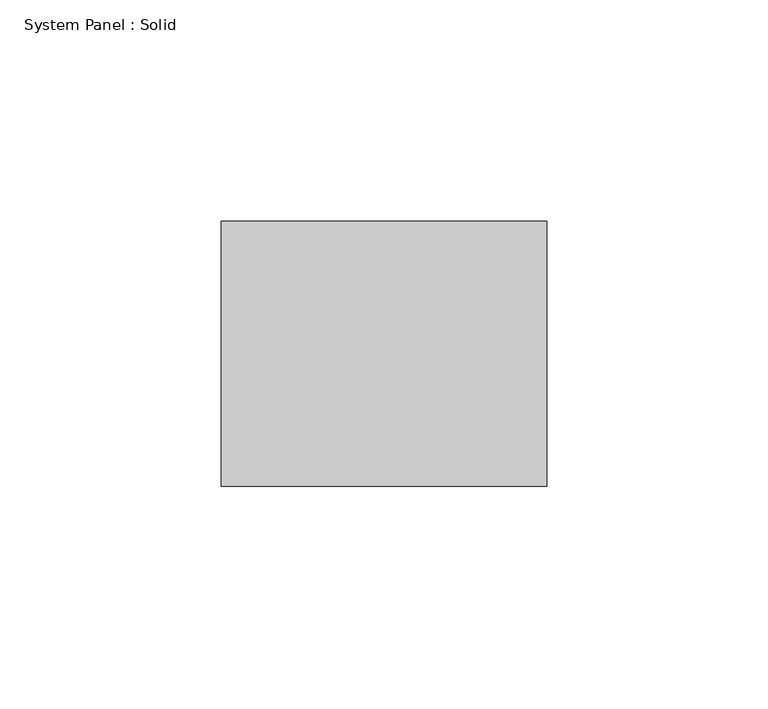
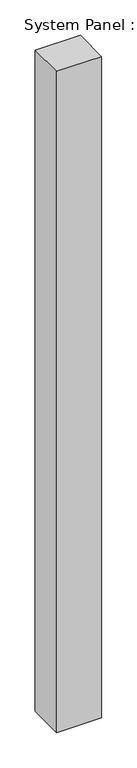
"""IFC4 building model written with IfcOpenShell, lengths in millimetres: plate geometry, System Panel : Solid."""

import ifcopenshell
import ifcopenshell.guid

model = None  # the IFC model being written
_history = None  # IfcOwnerHistory: only IFC2X3 demands one
_inside = {}  # id of a spatial element -> (the spatial element, [elements in it])
_under = {}  # id of a project, library or spatial element -> (it, [spatial elements below it])
_declared = {}  # id of a project -> (the project, [libraries it declares])
_typed = {}  # id of a type object -> (the type object, [elements of that type])
_made_of = {}  # id of a material, layer set ... -> (it, [elements and type objects made of it])


def new_model(schema):
    """Start an empty IFC model of exactly this schema.

    Asked for "IFC4X3", IfcOpenShell would pick the latest addendum, in which some entities
    have other attributes; the version numbers below select the first issue.
    IFC2X3 requires an IfcOwnerHistory on every rooted entity: one is made here for all.
    """
    global model, _history
    if schema == "IFC4X3":
        model = ifcopenshell.file(schema_version=(4, 3, 0, 0))
    else:
        model = ifcopenshell.file(schema=schema)
    _inside.clear()
    _under.clear()
    _declared.clear()
    _typed.clear()
    _made_of.clear()
    _history = None
    if model.schema == "IFC2X3":
        org = make("IfcOrganization", Name="unknown")
        user = make(
            "IfcPersonAndOrganization",
            ThePerson=make("IfcPerson", FamilyName="unknown"),
            TheOrganization=org,
        )
        app = make(
            "IfcApplication",
            ApplicationDeveloper=org,
            Version="unknown",
            ApplicationFullName="unknown",
            ApplicationIdentifier="unknown",
        )
        _history = make(
            "IfcOwnerHistory",
            OwningUser=user,
            OwningApplication=app,
            ChangeAction="ADDED",
            CreationDate=0,
        )
    return model


def make(cls, **values):
    """One entity of the class cls with the attributes given. An attribute that is None is left unset."""
    return model.create_entity(
        cls, **{name: value for name, value in values.items() if value is not None}
    )


def rooted(cls, **values):
    """An entity with a GlobalId (a new one), such as an element, a storey or a relation."""
    return make(cls, GlobalId=ifcopenshell.guid.new(), OwnerHistory=_history, **values)


def si_unit(unit_type, name, prefix=None):
    """IfcSIUnit, for example si_unit("LENGTHUNIT", "METRE", prefix="MILLI")."""
    return make("IfcSIUnit", UnitType=unit_type, Prefix=prefix, Name=name)


def assignment(units):
    """IfcUnitAssignment: the units of a project."""
    return None if units is None else make("IfcUnitAssignment", Units=units)


def point(xyz):
    """IfcCartesianPoint."""
    return None if xyz is None else make("IfcCartesianPoint", Coordinates=xyz)


def direction(xyz):
    """IfcDirection."""
    return None if xyz is None else make("IfcDirection", DirectionRatios=xyz)


def frame(location, z_axis=None, x_axis=None):
    """IfcAxis2Placement3D, a coordinate frame: its origin and axes. An axis left out is left unset."""
    return make(
        "IfcAxis2Placement3D",
        Location=point(location),
        Axis=direction(z_axis),
        RefDirection=direction(x_axis),
    )


def origin():
    """The frame at (0, 0, 0) with its axes left unset."""
    return frame((0.0, 0.0, 0.0))


def origin_with_axes():
    """The frame at (0, 0, 0) with the z axis (0, 0, 1) and the x axis (1, 0, 0) written out."""
    return frame((0.0, 0.0, 0.0), z_axis=(0.0, 0.0, 1.0), x_axis=(1.0, 0.0, 0.0))


def place(relative_to, where):
    """IfcLocalPlacement: puts the frame where relative to a parent placement (None: the world)."""
    return make(
        "IfcLocalPlacement", PlacementRelTo=relative_to, RelativePlacement=where
    )


def context(
    kind, dimensions, precision=None, world=None, true_north=None, identifier=None
):
    """IfcGeometricRepresentationContext, for example the 3D "Model" context."""
    return make(
        "IfcGeometricRepresentationContext",
        ContextIdentifier=identifier,
        ContextType=kind,
        CoordinateSpaceDimension=dimensions,
        Precision=precision,
        WorldCoordinateSystem=world,
        TrueNorth=true_north,
    )


def project(units=None, contexts=None):
    """IfcProject with its units and contexts."""
    return rooted(
        "IfcProject",
        Name="project",
        RepresentationContexts=contexts,
        UnitsInContext=assignment(units),
    )


def spatial(cls, under=None, at=None, **own):
    """A site, building, storey or space (cls), placed at a placement, below another one or the project."""
    s = rooted(cls, ObjectPlacement=at, **own)
    if under is not None:
        _under.setdefault(under.id(), (under, []))[1].append(s)
    return s


def polyline(points):
    """IfcPolyline through the points."""
    return make("IfcPolyline", Points=[point(p) for p in points])


def outline(outer, holes=None, kind="AREA"):
    """IfcArbitraryClosedProfileDef: a profile drawn as a closed curve; with holes, ...WithVoids."""
    if holes is None:
        return make("IfcArbitraryClosedProfileDef", ProfileType=kind, OuterCurve=outer)
    return make(
        "IfcArbitraryProfileDefWithVoids",
        ProfileType=kind,
        OuterCurve=outer,
        InnerCurves=holes,
    )


def extrude(swept, where, along, depth):
    """IfcExtrudedAreaSolid: the profile swept, set in the frame where, extruded along a direction by depth."""
    return make(
        "IfcExtrudedAreaSolid",
        SweptArea=swept,
        Position=where,
        ExtrudedDirection=direction(along),
        Depth=depth,
    )


def shape(context_of_items, identifier, shape_type, items):
    """IfcShapeRepresentation: the items that make up one representation, for example the "Body"."""
    return make(
        "IfcShapeRepresentation",
        ContextOfItems=context_of_items,
        RepresentationIdentifier=identifier,
        RepresentationType=shape_type,
        Items=items,
    )


def source(mapping_origin, context_of_items, identifier, shape_type, items):
    """IfcRepresentationMap: a shape defined once, which mapped items show again and again."""
    return make(
        "IfcRepresentationMap",
        MappingOrigin=mapping_origin,
        MappedRepresentation=shape(context_of_items, identifier, shape_type, items),
    )


def transform(
    local_origin,
    x_axis=None,
    y_axis=None,
    z_axis=None,
    scale=None,
    scale2=None,
    scale3=None,
    uniform=True,
):
    """IfcCartesianTransformationOperator3D, or its non-uniform kind. x_axis, y_axis, z_axis: its Axis1, 2, 3."""
    if uniform:
        return make(
            "IfcCartesianTransformationOperator3D",
            Axis1=direction(x_axis),
            Axis2=direction(y_axis),
            LocalOrigin=point(local_origin),
            Scale=scale,
            Axis3=direction(z_axis),
        )
    return make(
        "IfcCartesianTransformationOperator3DnonUniform",
        Axis1=direction(x_axis),
        Axis2=direction(y_axis),
        LocalOrigin=point(local_origin),
        Scale=scale,
        Axis3=direction(z_axis),
        Scale2=scale2,
        Scale3=scale3,
    )


def mapped(mapping_source, mapping_target):
    """IfcMappedItem: shows the shape of a source again, moved by a transform."""
    return make(
        "IfcMappedItem", MappingSource=mapping_source, MappingTarget=mapping_target
    )


def made_of(thing, what):
    """Note that an element or type object is made of a material, layer set ...; save() writes the relation."""
    if what is not None:
        _made_of.setdefault(what.id(), (what, []))[1].append(thing)
    return thing


def element(
    cls,
    number,
    at=None,
    inside=None,
    cuts=None,
    type_object=None,
    material=None,
    context=None,
    identifier="Body",
    shape_type=None,
    held_by="IfcProductDefinitionShape",
    body=None,
    shapes=None,
    **own,
):
    """One element of the class cls, such as IfcWall. Its Tag is "e" and its number.

    at: its placement. inside: the storey or other place that contains it. cuts: it is an
    opening in that element (IfcRelVoidsElement). A single representation is given by context,
    identifier, shape_type and body (its items); several are given by shapes. held_by: the class
    of the entity that holds the representations. save() writes the other relations.
    """
    e = rooted(cls, Tag="e%d" % number, ObjectPlacement=at, **own)
    if body is not None:
        shapes = [shape(context, identifier, shape_type, body)]
    if shapes is not None:
        e.Representation = make(held_by, Representations=shapes)
    if inside is not None:
        _inside.setdefault(inside.id(), (inside, []))[1].append(e)
    if cuts is not None:
        rooted(
            "IfcRelVoidsElement", RelatingBuildingElement=cuts, RelatedOpeningElement=e
        )
    if type_object is not None:
        _typed.setdefault(type_object.id(), (type_object, []))[1].append(e)
    return made_of(e, material)


def aggregate(whole, parts):
    """IfcRelAggregates: a whole, such as a stair, and the parts it consists of."""
    return rooted("IfcRelAggregates", RelatingObject=whole, RelatedObjects=parts)


def save(model, path):
    """Write the relations noted so far, then the file.

    IfcRelAggregates (storeys below a building ...), IfcRelContainedInSpatialStructure (elements
    in a storey), IfcRelDefinesByType, IfcRelAssociatesMaterial and IfcRelDeclares: one each for
    every whole, place, type object, material and project.
    """
    for whole, parts in _under.values():
        aggregate(whole, parts)
    for where, things in _inside.values():
        rooted(
            "IfcRelContainedInSpatialStructure",
            RelatedElements=things,
            RelatingStructure=where,
        )
    for kind, things in _typed.values():
        rooted("IfcRelDefinesByType", RelatedObjects=things, RelatingType=kind)
    for what, things in _made_of.values():
        rooted("IfcRelAssociatesMaterial", RelatedObjects=things, RelatingMaterial=what)
    for by, libraries in _declared.values():
        rooted("IfcRelDeclares", RelatingContext=by, RelatedDefinitions=libraries)
    model.write(path)


def system_panel_solid_4e9d9979(model_context):
    return source(origin(), model_context, "Body", "SweptSolid", [
        extrude(outline(polyline([(36.82484, -10.5), (-36.82484, -10.5), (-36.82484, 49.5), (36.82484, 49.5), (36.82484, -10.5)])), origin_with_axes(), (0.0, 0.0, 1.0), 1140.0),
    ])


if __name__ == "__main__":
    model = new_model("IFC4")
    model_context = context("Model", 3, world=origin())
    ifc_project = project(units=[si_unit("LENGTHUNIT", "METRE", prefix="MILLI")], contexts=[model_context])
    site = spatial("IfcSite", under=ifc_project)
    building = spatial("IfcBuilding", under=site)
    placement = place(None, origin())
    system_panel_solid_shape = system_panel_solid_4e9d9979(model_context)
    element("IfcPlate", 1, ObjectType="System Panel : Solid", at=placement, inside=building, context=model_context, shape_type="MappedRepresentation", body=[
        mapped(system_panel_solid_shape, transform((0.0, 0.0, 0.0), x_axis=(1.0, 0.0, 0.0), y_axis=(0.0, 1.0, 0.0), z_axis=(0.0, 0.0, 1.0))),
    ])
    save(model, "model.ifc")
